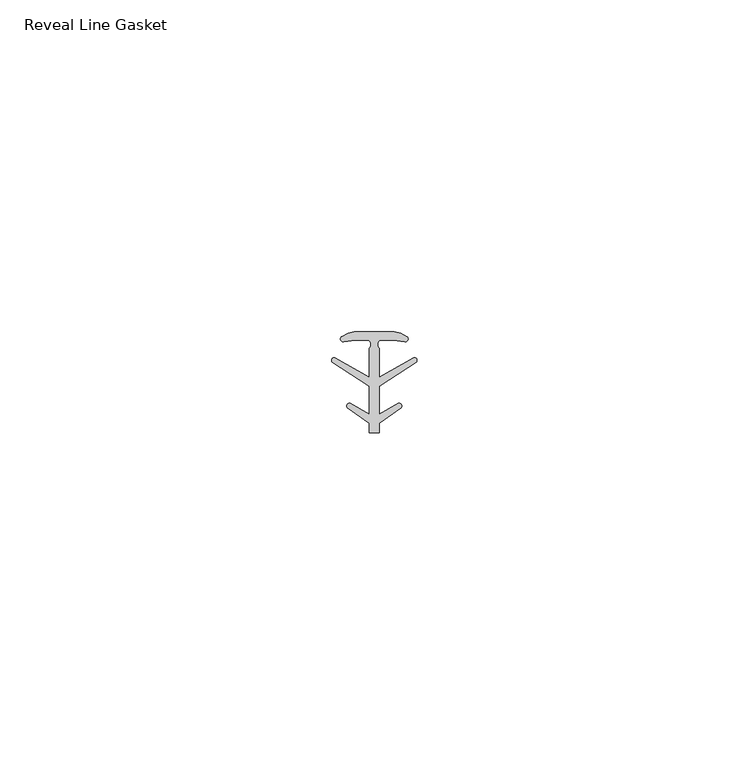
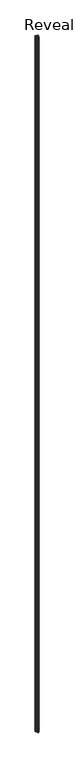
"""IFC4 building model written with IfcOpenShell, lengths in millimetres: proxy geometry, Reveal Line Gasket."""

from ifc_helpers import new_model, si_unit, point, frame, frame_2d, origin, place, context, project, spatial, polyline, circle_curve, trimmed, segment, composite_curve, outline, extrude, source, transform, mapped, element, save


def reveal_line_gasket_b8268798(model_context):
    return source(origin(), model_context, "Body", "SweptSolid", [
        extrude(outline(composite_curve([segment(polyline([(2.999107, 7.6326998), (3.9545998, 7.4091917), (4.8875754, 6.8813059)]), True, "CONTINUOUS"), segment(trimmed(circle_curve(frame_2d((4.6855864, 6.5243141)), 0.4101739), [point((4.8875754, 6.8813059))], [point((4.5932418, 6.1246704))], False, "CARTESIAN"), True, "CONTINUOUS"), segment(polyline([(4.5932418, 6.1246704), (2.8970156, 6.3626997), (0.8645598, 6.3626997)]), True, "CONTINUOUS"), segment(trimmed(circle_curve(frame_2d((1.2810328, 5.6959605)), 0.786124), [point((0.8645598, 6.3626997))], [point((0.7769821, 5.0926996))], True, "CARTESIAN"), True, "CONTINUOUS"), segment(polyline([(0.7769821, 5.0926996), (0.7769821, 0.7492996), (5.9386365, 3.7293824)]), True, "CONTINUOUS"), segment(trimmed(circle_curve(frame_2d((6.0040832, 3.3132479)), 0.4212495), [point((5.9386365, 3.7293824))], [point((6.3317429, 3.0485022))], False, "CARTESIAN"), True, "CONTINUOUS"), segment(polyline([(6.3317429, 3.0485022), (0.7769821, -0.5742594), (0.7769821, -4.8262978), (3.6526367, -3.1660374)]), True, "CONTINUOUS"), segment(trimmed(circle_curve(frame_2d((3.7109925, -3.5978728)), 0.4357605), [point((3.6526367, -3.1660374))], [point((4.0557951, -3.864328))], False, "CARTESIAN"), True, "CONTINUOUS"), segment(polyline([(4.0557951, -3.864328), (0.7769821, -6.1944059), (0.7769821, -7.6326998), (-0.778768, -7.6326998), (-0.778768, -6.1944059), (-4.0575811, -3.864328)]), True, "CONTINUOUS"), segment(trimmed(circle_curve(frame_2d((-3.7127785, -3.5978728)), 0.4357605), [point((-4.0575811, -3.864328))], [point((-3.6544226, -3.1660374))], False, "CARTESIAN"), True, "CONTINUOUS"), segment(polyline([(-3.6544226, -3.1660374), (-0.778768, -4.8262978), (-0.778768, -0.5742594), (-6.3335288, 3.0485022)]), True, "CONTINUOUS"), segment(trimmed(circle_curve(frame_2d((-6.0058691, 3.3132479)), 0.4212495), [point((-6.3335288, 3.0485022))], [point((-5.9404224, 3.7293824))], False, "CARTESIAN"), True, "CONTINUOUS"), segment(polyline([(-5.9404224, 3.7293824), (-0.778768, 0.7492996), (-0.778768, 5.0926996)]), True, "CONTINUOUS"), segment(trimmed(circle_curve(frame_2d((-1.2828188, 5.6959605)), 0.786124), [point((-0.778768, 5.0926996))], [point((-0.8663457, 6.3626997))], True, "CARTESIAN"), True, "CONTINUOUS"), segment(polyline([(-0.8663457, 6.3626997), (-2.8988015, 6.3626997), (-4.5950277, 6.1246704)]), True, "CONTINUOUS"), segment(trimmed(circle_curve(frame_2d((-4.6873723, 6.5243141)), 0.4101739), [point((-4.5950277, 6.1246704))], [point((-4.8893614, 6.8813059))], False, "CARTESIAN"), True, "CONTINUOUS"), segment(polyline([(-4.8893614, 6.8813059), (-3.9563857, 7.4091917), (-3.000893, 7.6326998), (2.999107, 7.6326998)]), True, "CONTINUOUS")], self_intersect=False)), frame((0.0, 0.0, 84.836), z_axis=(0.0, 0.0, 1.0), x_axis=(1.0, 0.0, 0.0)), (0.0, 0.0, 1.0), 2979.039),
    ])


if __name__ == "__main__":
    model = new_model("IFC4")
    model_context = context("Model", 3, world=origin())
    ifc_project = project(units=[si_unit("LENGTHUNIT", "METRE", prefix="MILLI")], contexts=[model_context])
    site = spatial("IfcSite", under=ifc_project)
    building = spatial("IfcBuilding", under=site)
    placement = place(None, origin())
    reveal_line_gasket_shape = reveal_line_gasket_b8268798(model_context)
    element("IfcBuildingElementProxy", 1, Name="Reveal Line Gasket", ObjectType="Reveal Line Gasket", at=placement, inside=building, context=model_context, shape_type="MappedRepresentation", body=[
        mapped(reveal_line_gasket_shape, transform((0.0, 0.0, 0.0), x_axis=(1.0, 0.0, 0.0), y_axis=(0.0, 1.0, 0.0), z_axis=(0.0, 0.0, 1.0))),
    ])
    save(model, "model.ifc")
